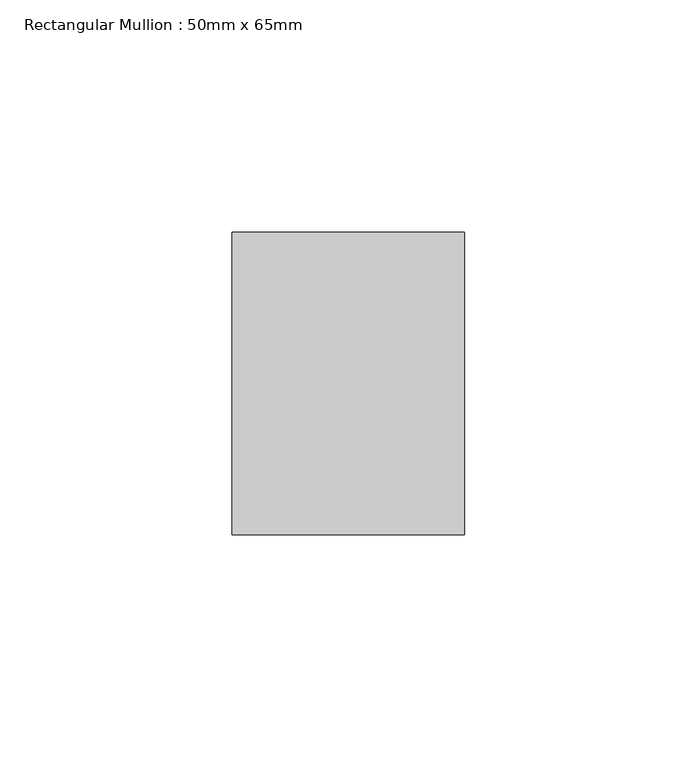
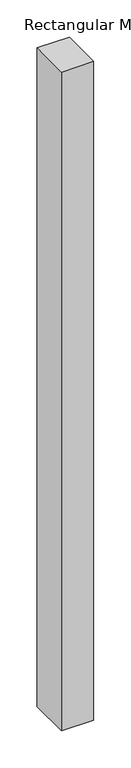
"""IFC4 building model written with IfcOpenShell, lengths in millimetres: member geometry, Rectangular Mullion : 50mm x 65mm."""

from ifc_helpers import new_model, si_unit, frame, origin, place, context, project, spatial, polyline, outline, extrude, source, transform, mapped, element, save


def rectangular_mullion_50mm_x_65mm_cae1207b(model_context):
    return source(origin(), model_context, "Body", "SweptSolid", [
        extrude(outline(polyline([(25.0, 32.5), (25.0, -32.5), (-25.0, -32.5), (-25.0, 32.5), (25.0, 32.5)])), frame((0.0, 0.0, -1078.0448971), z_axis=(0.0, 0.0, 1.0), x_axis=(1.0, 0.0, 0.0)), (0.0, 0.0, 1.0), 1078.0448971),
    ])


if __name__ == "__main__":
    model = new_model("IFC4")
    model_context = context("Model", 3, world=origin())
    ifc_project = project(units=[si_unit("LENGTHUNIT", "METRE", prefix="MILLI")], contexts=[model_context])
    site = spatial("IfcSite", under=ifc_project)
    building = spatial("IfcBuilding", under=site)
    placement = place(None, origin())
    rectangular_mullion_50mm_x_65mm_shape = rectangular_mullion_50mm_x_65mm_cae1207b(model_context)
    element("IfcMember", 1, ObjectType="Rectangular Mullion : 50mm x 65mm", at=placement, inside=building, context=model_context, shape_type="MappedRepresentation", body=[
        mapped(rectangular_mullion_50mm_x_65mm_shape, transform((0.0, 0.0, 0.0), x_axis=(1.0, 0.0, 0.0), y_axis=(0.0, 1.0, 0.0), z_axis=(0.0, 0.0, 1.0))),
    ])
    save(model, "model.ifc")
